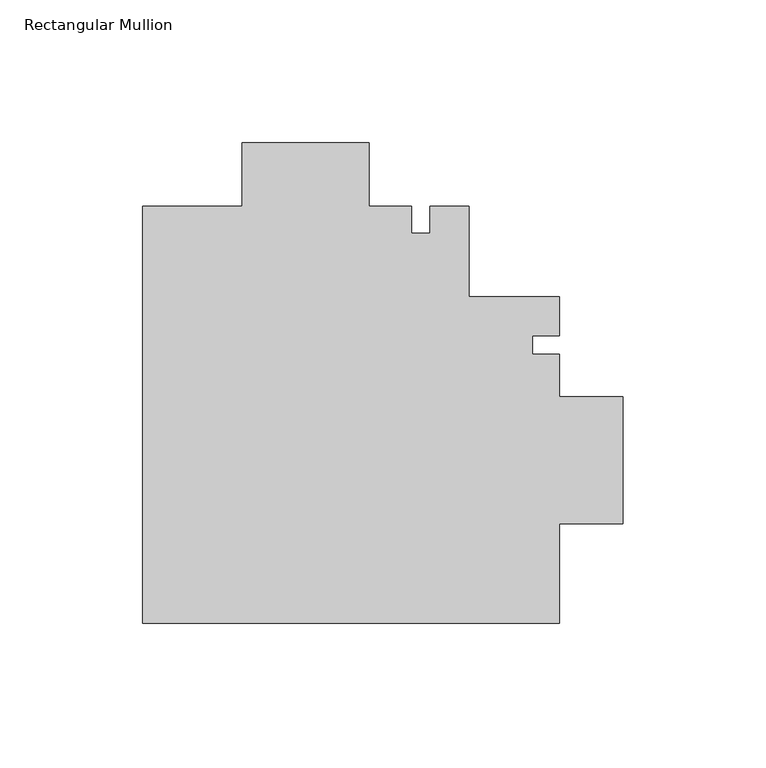
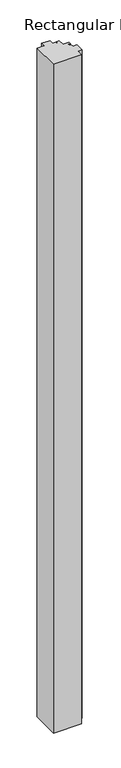
"""IFC4 building model written with IfcOpenShell, lengths in millimetres: member geometry, Rectangular Mullion."""

from ifc_helpers import new_model, si_unit, frame, origin, place, context, project, spatial, polyline, outline, extrude, source, transform, mapped, element, save


def rectangular_mullion_776eabc1(model_context):
    return source(origin(), model_context, "Body", "SweptSolid", [
        extrude(outline(polyline([(-168.2877, -49.1563084), (-168.2877, 96.8936916), (-133.4516, 96.8936916), (-133.4516, 119.1186916), (-89.0016, 119.1186916), (-89.0016, 96.8936916), (-74.0467492, 96.8936916), (-74.0467492, 87.3686916), (-67.6065108, 87.3686916), (-67.6065108, 96.8936916), (-53.9877, 96.8936916), (-53.9877, 65.1312456), (-22.225, 65.1312456), (-22.225, 51.5124348), (-31.75, 51.5124348), (-31.75, 45.0721964), (-22.225, 45.0721964), (-22.225, 30.1173456), (0.0, 30.1173456), (0.0, -14.3326544), (-22.225, -14.3326544), (-22.225, -49.1687544), (-168.2877, -49.1563084)])), frame((0.0, 0.0, -3657.6), z_axis=(0.0, 0.0, 1.0), x_axis=(1.0, 0.0, 0.0)), (0.0, 0.0, 1.0), 3657.6),
    ])


if __name__ == "__main__":
    model = new_model("IFC4")
    model_context = context("Model", 3, world=origin())
    ifc_project = project(units=[si_unit("LENGTHUNIT", "METRE", prefix="MILLI")], contexts=[model_context])
    site = spatial("IfcSite", under=ifc_project)
    building = spatial("IfcBuilding", under=site)
    placement = place(None, origin())
    rectangular_mullion_shape = rectangular_mullion_776eabc1(model_context)
    element("IfcMember", 1, ObjectType="Rectangular Mullion", at=placement, inside=building, context=model_context, shape_type="MappedRepresentation", body=[
        mapped(rectangular_mullion_shape, transform((0.0, 0.0, 0.0), x_axis=(1.0, 0.0, 0.0), y_axis=(0.0, 1.0, 0.0), z_axis=(0.0, 0.0, 1.0))),
    ])
    save(model, "model.ifc")
